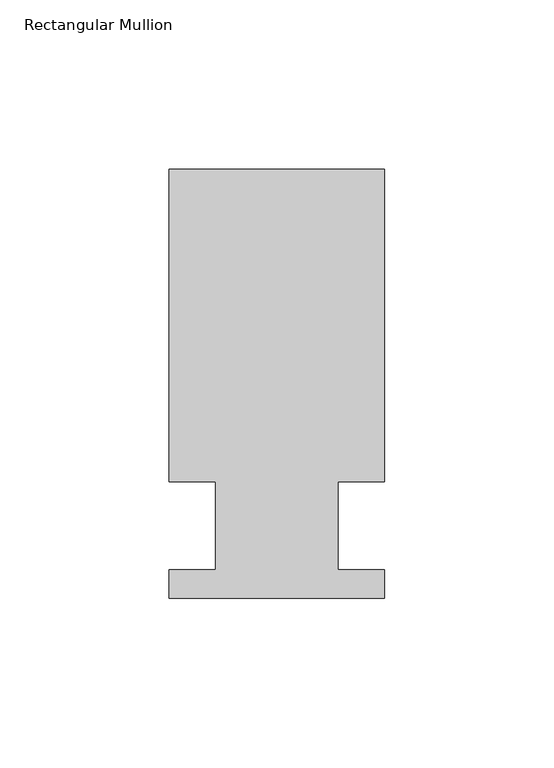
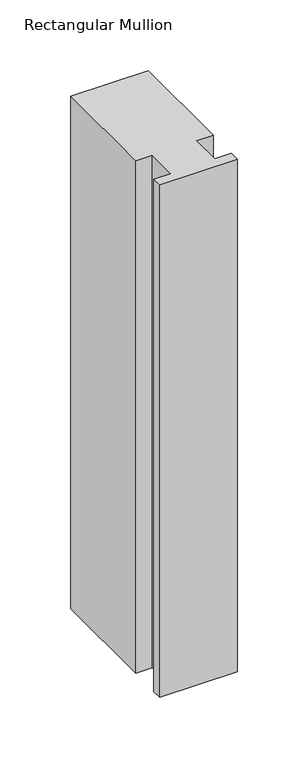
"""IFC4 building model written with IfcOpenShell, lengths in millimetres: member geometry, Rectangular Mullion."""

from ifc_helpers import new_model, si_unit, frame, origin, place, context, project, spatial, polyline, outline, extrude, source, transform, mapped, element, save


def rectangular_mullion_9c7dcadc(model_context):
    return source(origin(), model_context, "Body", "SweptSolid", [
        extrude(outline(polyline([(-63.5, 126.4808875), (0.0, 126.4808875), (0.0, 34.3296875), (-13.6398, 34.3296875), (-13.6398, 8.3454875), (0.0, 8.3454875), (0.0, -0.0111125), (-63.5, -0.0111125), (-63.5, 8.3454875), (-49.9070313, 8.3454875), (-49.9070313, 34.3296875), (-63.5, 34.3296875), (-63.5, 126.4808875)])), frame((0.0, 0.0, -443.4416667), z_axis=(0.0, 0.0, 1.0), x_axis=(1.0, 0.0, 0.0)), (0.0, 0.0, 1.0), 443.4416667),
    ])


if __name__ == "__main__":
    model = new_model("IFC4")
    model_context = context("Model", 3, world=origin())
    ifc_project = project(units=[si_unit("LENGTHUNIT", "METRE", prefix="MILLI")], contexts=[model_context])
    site = spatial("IfcSite", under=ifc_project)
    building = spatial("IfcBuilding", under=site)
    placement = place(None, origin())
    rectangular_mullion_shape = rectangular_mullion_9c7dcadc(model_context)
    element("IfcMember", 1, ObjectType="Rectangular Mullion", at=placement, inside=building, context=model_context, shape_type="MappedRepresentation", body=[
        mapped(rectangular_mullion_shape, transform((0.0, 0.0, 0.0), x_axis=(1.0, 0.0, 0.0), y_axis=(0.0, 1.0, 0.0), z_axis=(0.0, 0.0, 1.0))),
    ])
    save(model, "model.ifc")
